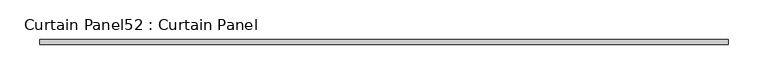
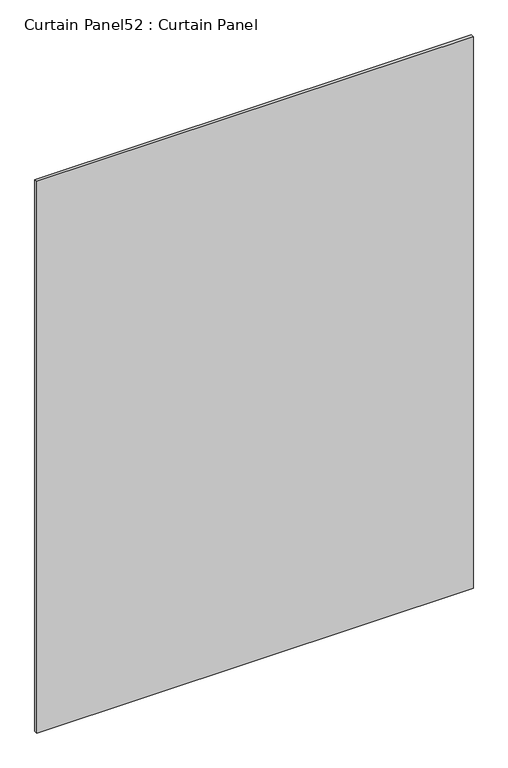
"""IFC4 building model written with IfcOpenShell, lengths in millimetres: plate geometry, Curtain Panel52 : Curtain Panel."""

from ifc_helpers import new_model, si_unit, frame, origin, place, context, project, spatial, polyline, outline, extrude, source, transform, mapped, element, save


def curtain_panel52_curtain_panel_153c649c(model_context):
    return source(origin(), model_context, "Body", "SweptSolid", [
        extrude(outline(polyline([(-36497.5249445, 3064.8136018), (-37367.4984536, 3064.8136018), (-37367.4984536, 3071.1636018), (-36497.5249445, 3071.1636018), (-36497.5249445, 3064.8136018)])), frame((0.0, 0.0, 41.275), z_axis=(0.0, 0.0, 1.0), x_axis=(1.0, 0.0, 0.0)), (0.0, 0.0, 1.0), 1161.8595),
    ])


if __name__ == "__main__":
    model = new_model("IFC4")
    model_context = context("Model", 3, world=origin())
    ifc_project = project(units=[si_unit("LENGTHUNIT", "METRE", prefix="MILLI")], contexts=[model_context])
    site = spatial("IfcSite", under=ifc_project)
    building = spatial("IfcBuilding", under=site)
    placement = place(None, origin())
    curtain_panel52_curtain_panel_shape = curtain_panel52_curtain_panel_153c649c(model_context)
    element("IfcPlate", 1, ObjectType="Curtain Panel52 : Curtain Panel", at=placement, inside=building, context=model_context, shape_type="MappedRepresentation", body=[
        mapped(curtain_panel52_curtain_panel_shape, transform((0.0, 0.0, 0.0), x_axis=(1.0, 0.0, 0.0), y_axis=(0.0, 1.0, 0.0), z_axis=(0.0, 0.0, 1.0))),
    ])
    save(model, "model.ifc")
